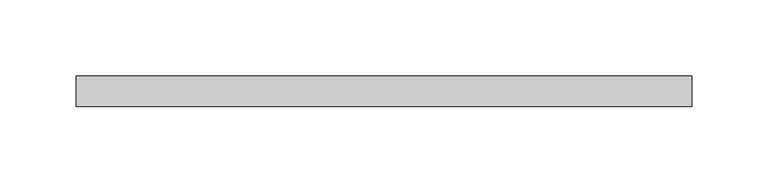
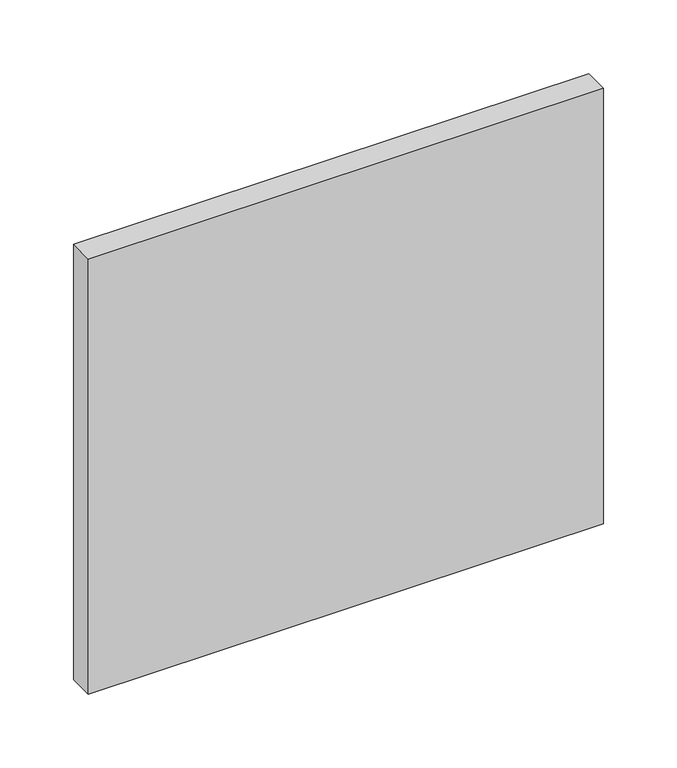
"""IFC4 building model written with IfcOpenShell, lengths in millimetres: plate geometry."""

from ifc_helpers import new_model, si_unit, origin, origin_with_axes, place, context, project, spatial, polyline, outline, extrude, source, transform, mapped, element, save


def plate_0d285686(model_context):
    return source(origin(), model_context, "Body", "SweptSolid", [
        extrude(outline(polyline([(201.8421053, -90.0), (-201.8421053, -90.0), (-201.8421053, -70.0), (201.8421053, -70.0), (201.8421053, -90.0)])), origin_with_axes(), (0.0, 0.0, 1.0), 360.4875),
    ])


if __name__ == "__main__":
    model = new_model("IFC4")
    model_context = context("Model", 3, world=origin())
    ifc_project = project(units=[si_unit("LENGTHUNIT", "METRE", prefix="MILLI")], contexts=[model_context])
    site = spatial("IfcSite", under=ifc_project)
    building = spatial("IfcBuilding", under=site)
    placement = place(None, origin())
    plate_shape = plate_0d285686(model_context)
    element("IfcPlate", 1, at=placement, inside=building, context=model_context, shape_type="MappedRepresentation", body=[
        mapped(plate_shape, transform((0.0, 0.0, 0.0), x_axis=(1.0, 0.0, 0.0), y_axis=(0.0, 1.0, 0.0), z_axis=(0.0, 0.0, 1.0))),
    ])
    save(model, "model.ifc")
